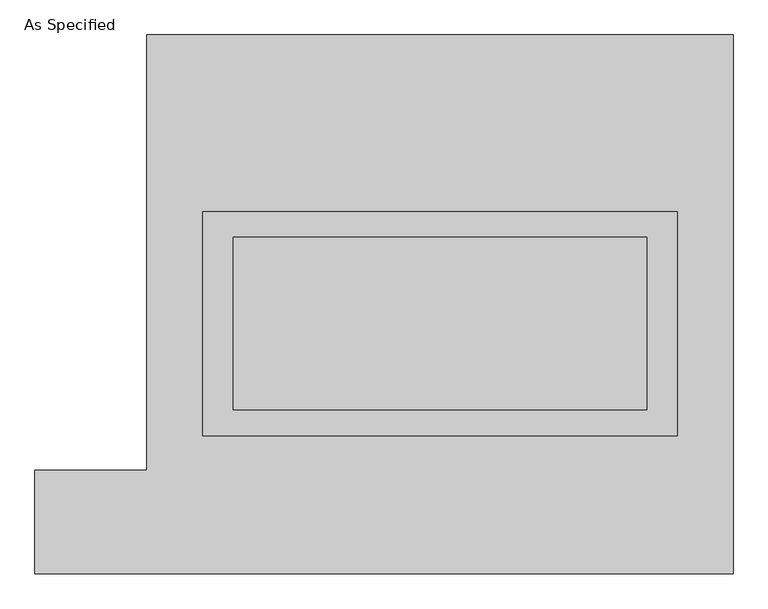
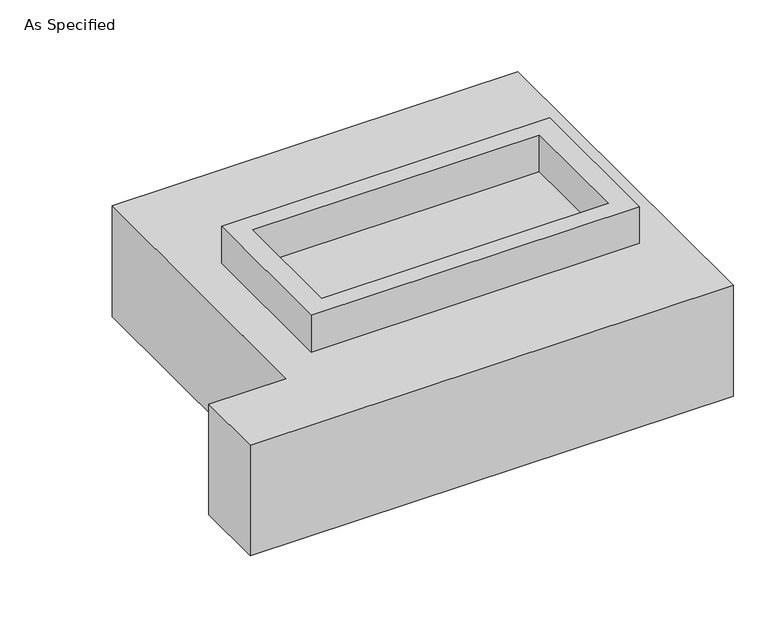
"""IFC4 building model written with IfcOpenShell, lengths in millimetres: proxy geometry, As Specified."""

from ifc_helpers import new_model, si_unit, frame, origin, place, context, project, spatial, polyline, outline, extrude, source, transform, mapped, element, save


def as_specified_b5da487b(model_context):
    return source(origin(), model_context, "Body", "SweptSolid", [
        extrude(outline(polyline([(698.5, 273.05), (698.5, -387.35), (-698.5, -387.35), (-698.5, 273.05), (698.5, 273.05)]), holes=[polyline([(609.6, 196.85), (-609.6, 196.85), (-609.6, -311.15), (609.6, -311.15), (609.6, 196.85)])]), frame((0.0, 0.0, -688.975), z_axis=(0.0, 0.0, 1.0), x_axis=(1.0, 0.0, 0.0)), (0.0, 0.0, 1.0), 165.1),
        extrude(outline(polyline([(698.5, 273.05), (698.5, -387.35), (-698.5, -387.35), (-698.5, 273.05), (698.5, 273.05)]), holes=[polyline([(609.6, 196.85), (-609.6, 196.85), (-609.6, -311.15), (609.6, -311.15), (609.6, 196.85)])]), frame((0.0, 0.0, -25.4), z_axis=(0.0, 0.0, 1.0), x_axis=(1.0, 0.0, 0.0)), (0.0, 0.0, 1.0), 165.1),
        extrude(outline(polyline([(609.6, 196.85), (609.6, -311.15), (-609.6, -311.15), (-609.6, 196.85), (609.6, 196.85)])), frame((0.0, 0.0, -523.875), z_axis=(0.0, 0.0, 1.0), x_axis=(1.0, 0.0, 0.0)), (0.0, 0.0, 1.0), 4.9609375),
        extrude(outline(polyline([(609.6, 196.85), (609.6, -311.15), (-609.6, -311.15), (-609.6, 196.85), (609.6, 196.85)])), frame((0.0, 0.0, -30.3609375), z_axis=(0.0, 0.0, 1.0), x_axis=(1.0, 0.0, 0.0)), (0.0, 0.0, 1.0), 4.9609375),
        extrude(outline(polyline([(-863.6, 793.75), (863.6, 793.75), (863.6, -793.75), (-1193.8, -793.75), (-1193.8, -488.95), (-863.6, -488.95), (-863.6, 793.75)]), holes=[polyline([(-698.5, 273.05), (-698.5, -387.35), (698.5, -387.35), (698.5, 273.05), (-698.5, 273.05)])]), frame((0.0, 0.0, -523.875), z_axis=(0.0, 0.0, 1.0), x_axis=(1.0, 0.0, 0.0)), (0.0, 0.0, 1.0), 498.475),
    ])


if __name__ == "__main__":
    model = new_model("IFC4")
    model_context = context("Model", 3, world=origin())
    ifc_project = project(units=[si_unit("LENGTHUNIT", "METRE", prefix="MILLI")], contexts=[model_context])
    site = spatial("IfcSite", under=ifc_project)
    building = spatial("IfcBuilding", under=site)
    placement = place(None, origin())
    as_specified_shape = as_specified_b5da487b(model_context)
    element("IfcBuildingElementProxy", 1, Name="As Specified", ObjectType="As Specified", at=placement, inside=building, context=model_context, shape_type="MappedRepresentation", body=[
        mapped(as_specified_shape, transform((0.0, 0.0, 0.0), x_axis=(1.0, 0.0, 0.0), y_axis=(0.0, 1.0, 0.0), z_axis=(0.0, 0.0, 1.0))),
    ])
    save(model, "model.ifc")
